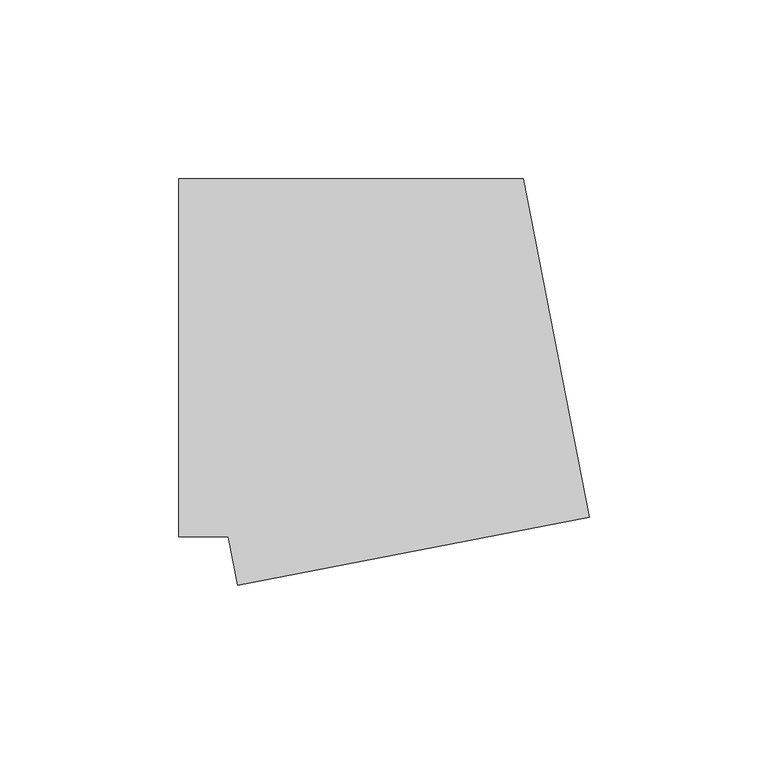
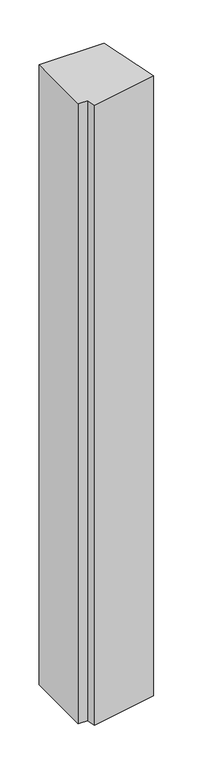
"""IFC4 building model written with IfcOpenShell, lengths in millimetres: member geometry."""

from ifc_helpers import new_model, si_unit, frame, origin, place, context, project, spatial, polyline, outline, extrude, source, transform, mapped, element, save


def member_c245e7c1(model_context):
    return source(origin(), model_context, "Body", "SweptSolid", [
        extrude(outline(polyline([(-38.5868644, -63.5299449), (-41.2168193, -50.0), (-55.0, -50.0), (-55.0, 50.0), (41.2168193, 50.0), (59.5758539, -44.4490453), (-38.5868644, -63.5299449)])), frame((0.0, 0.0, -967.0), z_axis=(0.0, 0.0, 1.0), x_axis=(1.0, 0.0, 0.0)), (0.0, 0.0, 1.0), 967.0),
    ])


if __name__ == "__main__":
    model = new_model("IFC4")
    model_context = context("Model", 3, world=origin())
    ifc_project = project(units=[si_unit("LENGTHUNIT", "METRE", prefix="MILLI")], contexts=[model_context])
    site = spatial("IfcSite", under=ifc_project)
    building = spatial("IfcBuilding", under=site)
    placement = place(None, origin())
    member_shape = member_c245e7c1(model_context)
    element("IfcMember", 1, at=placement, inside=building, context=model_context, shape_type="MappedRepresentation", body=[
        mapped(member_shape, transform((0.0, 0.0, 0.0), x_axis=(1.0, 0.0, 0.0), y_axis=(0.0, 1.0, 0.0), z_axis=(0.0, 0.0, 1.0))),
    ])
    save(model, "model.ifc")
